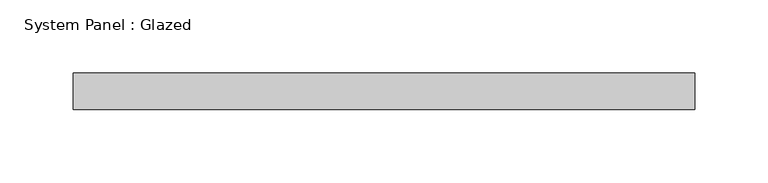
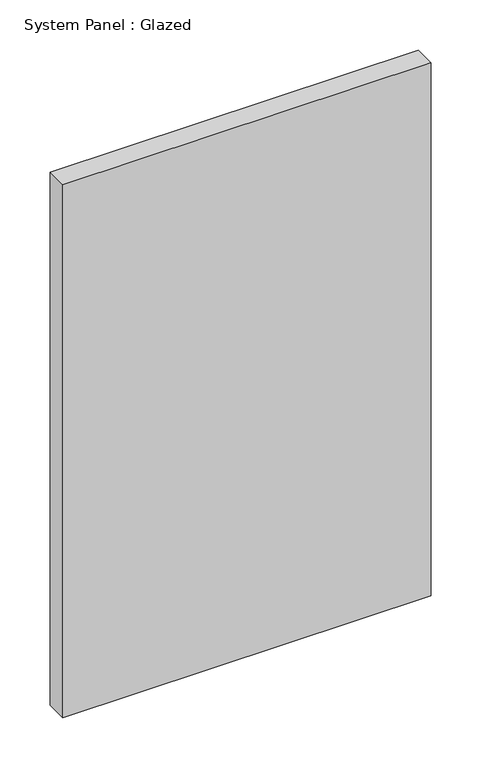
"""IFC4 building model written with IfcOpenShell, lengths in millimetres: plate geometry, System Panel : Glazed."""

from ifc_helpers import new_model, si_unit, origin, origin_with_axes, place, context, project, spatial, polyline, outline, extrude, source, transform, mapped, element, save


def system_panel_glazed_91ea5429(model_context):
    return source(origin(), model_context, "Body", "SweptSolid", [
        extrude(outline(polyline([(212.5, -37.5), (-212.5, -37.5), (-212.5, -12.5), (212.5, -12.5), (212.5, -37.5)])), origin_with_axes(), (0.0, 0.0, 1.0), 650.0),
    ])


if __name__ == "__main__":
    model = new_model("IFC4")
    model_context = context("Model", 3, world=origin())
    ifc_project = project(units=[si_unit("LENGTHUNIT", "METRE", prefix="MILLI")], contexts=[model_context])
    site = spatial("IfcSite", under=ifc_project)
    building = spatial("IfcBuilding", under=site)
    placement = place(None, origin())
    system_panel_glazed_shape = system_panel_glazed_91ea5429(model_context)
    element("IfcPlate", 1, ObjectType="System Panel : Glazed", at=placement, inside=building, context=model_context, shape_type="MappedRepresentation", body=[
        mapped(system_panel_glazed_shape, transform((0.0, 0.0, 0.0), x_axis=(1.0, 0.0, 0.0), y_axis=(0.0, 1.0, 0.0), z_axis=(0.0, 0.0, 1.0))),
    ])
    save(model, "model.ifc")
